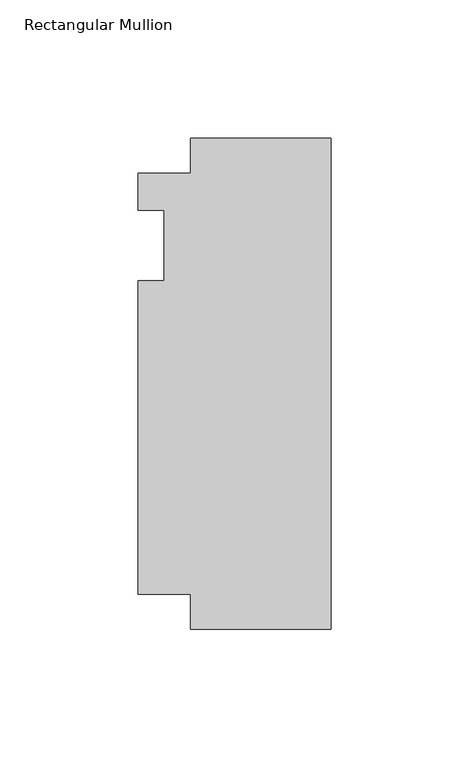
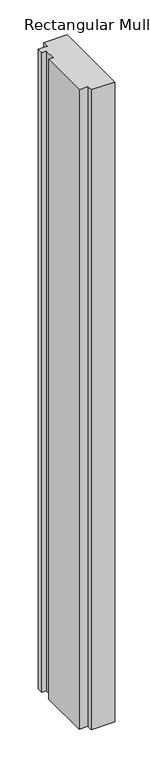
"""IFC4 building model written with IfcOpenShell, lengths in millimetres: member geometry, Rectangular Mullion."""

from ifc_helpers import new_model, si_unit, frame, origin, place, context, project, spatial, polyline, outline, extrude, source, transform, mapped, element, save


def rectangular_mullion_d4a28834(model_context):
    return source(origin(), model_context, "Body", "SweptSolid", [
        extrude(outline(polyline([(-69.85, 26.19375), (-50.8, 26.19375), (-50.8, 38.8943162), (0.0, 38.8943162), (0.0, -138.90625), (-50.8, -138.90625), (-50.8, -126.20625), (-69.85, -126.20625), (-69.85, -12.7), (-60.325, -12.7), (-60.325, 12.7), (-69.85, 12.7), (-69.85, 26.19375)])), frame((0.0, 0.0, -1460.5), z_axis=(0.0, 0.0, 1.0), x_axis=(1.0, 0.0, 0.0)), (0.0, 0.0, 1.0), 1460.5),
    ])


if __name__ == "__main__":
    model = new_model("IFC4")
    model_context = context("Model", 3, world=origin())
    ifc_project = project(units=[si_unit("LENGTHUNIT", "METRE", prefix="MILLI")], contexts=[model_context])
    site = spatial("IfcSite", under=ifc_project)
    building = spatial("IfcBuilding", under=site)
    placement = place(None, origin())
    rectangular_mullion_shape = rectangular_mullion_d4a28834(model_context)
    element("IfcMember", 1, ObjectType="Rectangular Mullion", at=placement, inside=building, context=model_context, shape_type="MappedRepresentation", body=[
        mapped(rectangular_mullion_shape, transform((0.0, 0.0, 0.0), x_axis=(1.0, 0.0, 0.0), y_axis=(0.0, 1.0, 0.0), z_axis=(0.0, 0.0, 1.0))),
    ])
    save(model, "model.ifc")
